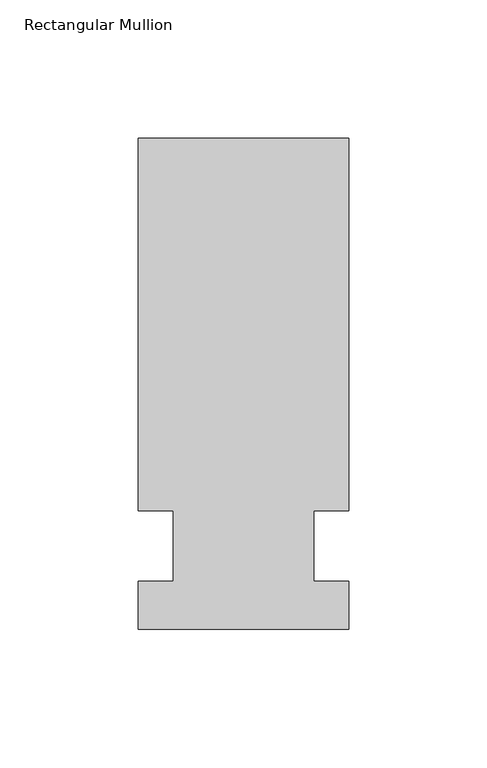
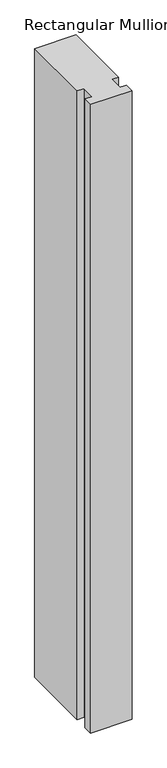
"""IFC4 building model written with IfcOpenShell, lengths in millimetres: member geometry, Rectangular Mullion."""

from ifc_helpers import new_model, si_unit, frame, origin, place, context, project, spatial, polyline, outline, extrude, source, transform, mapped, element, save


def rectangular_mullion_37078de9(model_context):
    return source(origin(), model_context, "Body", "SweptSolid", [
        extrude(outline(polyline([(42.4344027, 147.6375), (42.4344027, 12.7), (29.7326322, 12.7), (29.7326322, -12.7), (42.4344027, -12.7), (42.4344027, -30.1625), (-33.7655973, -30.1625), (-33.7655973, -12.7), (-21.0655973, -12.7), (-21.0655973, 12.7), (-33.7655973, 12.7), (-33.7655973, 147.6375), (42.4344027, 147.6375)])), frame((0.0, 0.0, -1219.2), z_axis=(0.0, 0.0, 1.0), x_axis=(1.0, 0.0, 0.0)), (0.0, 0.0, 1.0), 1219.2),
    ])


if __name__ == "__main__":
    model = new_model("IFC4")
    model_context = context("Model", 3, world=origin())
    ifc_project = project(units=[si_unit("LENGTHUNIT", "METRE", prefix="MILLI")], contexts=[model_context])
    site = spatial("IfcSite", under=ifc_project)
    building = spatial("IfcBuilding", under=site)
    placement = place(None, origin())
    rectangular_mullion_shape = rectangular_mullion_37078de9(model_context)
    element("IfcMember", 1, ObjectType="Rectangular Mullion", at=placement, inside=building, context=model_context, shape_type="MappedRepresentation", body=[
        mapped(rectangular_mullion_shape, transform((0.0, 0.0, 0.0), x_axis=(1.0, 0.0, 0.0), y_axis=(0.0, 1.0, 0.0), z_axis=(0.0, 0.0, 1.0))),
    ])
    save(model, "model.ifc")
